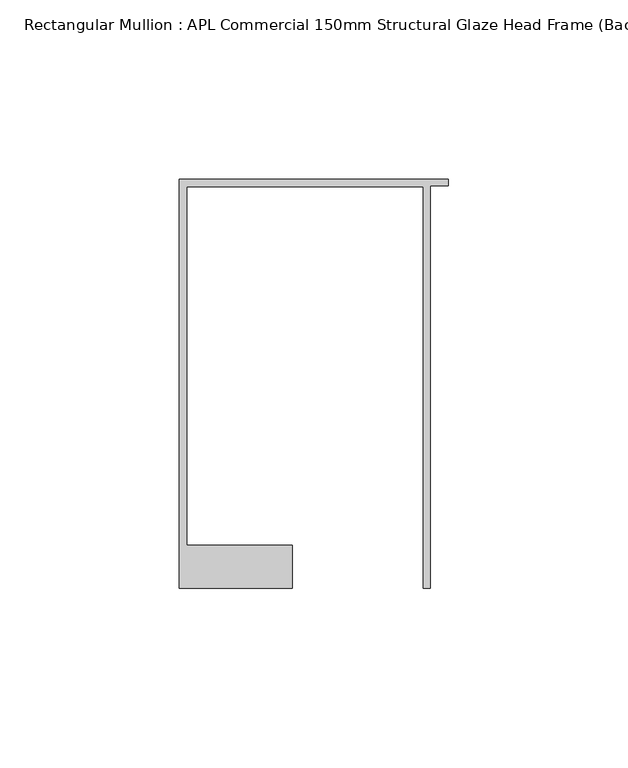
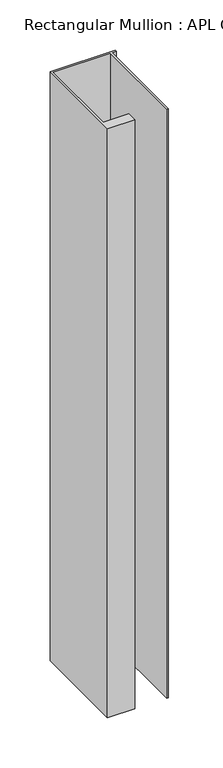
"""IFC4 building model written with IfcOpenShell, lengths in millimetres: member geometry, Rectangular Mullion : APL Commercial 150mm Structural Glaze Head Frame (Back)."""

import ifcopenshell
import ifcopenshell.guid

model = None  # the IFC model being written
_history = None  # IfcOwnerHistory: only IFC2X3 demands one
_inside = {}  # id of a spatial element -> (the spatial element, [elements in it])
_under = {}  # id of a project, library or spatial element -> (it, [spatial elements below it])
_declared = {}  # id of a project -> (the project, [libraries it declares])
_typed = {}  # id of a type object -> (the type object, [elements of that type])
_made_of = {}  # id of a material, layer set ... -> (it, [elements and type objects made of it])


def new_model(schema):
    """Start an empty IFC model of exactly this schema.

    Asked for "IFC4X3", IfcOpenShell would pick the latest addendum, in which some entities
    have other attributes; the version numbers below select the first issue.
    IFC2X3 requires an IfcOwnerHistory on every rooted entity: one is made here for all.
    """
    global model, _history
    if schema == "IFC4X3":
        model = ifcopenshell.file(schema_version=(4, 3, 0, 0))
    else:
        model = ifcopenshell.file(schema=schema)
    _inside.clear()
    _under.clear()
    _declared.clear()
    _typed.clear()
    _made_of.clear()
    _history = None
    if model.schema == "IFC2X3":
        org = make("IfcOrganization", Name="unknown")
        user = make(
            "IfcPersonAndOrganization",
            ThePerson=make("IfcPerson", FamilyName="unknown"),
            TheOrganization=org,
        )
        app = make(
            "IfcApplication",
            ApplicationDeveloper=org,
            Version="unknown",
            ApplicationFullName="unknown",
            ApplicationIdentifier="unknown",
        )
        _history = make(
            "IfcOwnerHistory",
            OwningUser=user,
            OwningApplication=app,
            ChangeAction="ADDED",
            CreationDate=0,
        )
    return model


def make(cls, **values):
    """One entity of the class cls with the attributes given. An attribute that is None is left unset."""
    return model.create_entity(
        cls, **{name: value for name, value in values.items() if value is not None}
    )


def rooted(cls, **values):
    """An entity with a GlobalId (a new one), such as an element, a storey or a relation."""
    return make(cls, GlobalId=ifcopenshell.guid.new(), OwnerHistory=_history, **values)


def si_unit(unit_type, name, prefix=None):
    """IfcSIUnit, for example si_unit("LENGTHUNIT", "METRE", prefix="MILLI")."""
    return make("IfcSIUnit", UnitType=unit_type, Prefix=prefix, Name=name)


def assignment(units):
    """IfcUnitAssignment: the units of a project."""
    return None if units is None else make("IfcUnitAssignment", Units=units)


def point(xyz):
    """IfcCartesianPoint."""
    return None if xyz is None else make("IfcCartesianPoint", Coordinates=xyz)


def direction(xyz):
    """IfcDirection."""
    return None if xyz is None else make("IfcDirection", DirectionRatios=xyz)


def frame(location, z_axis=None, x_axis=None):
    """IfcAxis2Placement3D, a coordinate frame: its origin and axes. An axis left out is left unset."""
    return make(
        "IfcAxis2Placement3D",
        Location=point(location),
        Axis=direction(z_axis),
        RefDirection=direction(x_axis),
    )


def origin():
    """The frame at (0, 0, 0) with its axes left unset."""
    return frame((0.0, 0.0, 0.0))


def place(relative_to, where):
    """IfcLocalPlacement: puts the frame where relative to a parent placement (None: the world)."""
    return make(
        "IfcLocalPlacement", PlacementRelTo=relative_to, RelativePlacement=where
    )


def context(
    kind, dimensions, precision=None, world=None, true_north=None, identifier=None
):
    """IfcGeometricRepresentationContext, for example the 3D "Model" context."""
    return make(
        "IfcGeometricRepresentationContext",
        ContextIdentifier=identifier,
        ContextType=kind,
        CoordinateSpaceDimension=dimensions,
        Precision=precision,
        WorldCoordinateSystem=world,
        TrueNorth=true_north,
    )


def project(units=None, contexts=None):
    """IfcProject with its units and contexts."""
    return rooted(
        "IfcProject",
        Name="project",
        RepresentationContexts=contexts,
        UnitsInContext=assignment(units),
    )


def spatial(cls, under=None, at=None, **own):
    """A site, building, storey or space (cls), placed at a placement, below another one or the project."""
    s = rooted(cls, ObjectPlacement=at, **own)
    if under is not None:
        _under.setdefault(under.id(), (under, []))[1].append(s)
    return s


def polyline(points):
    """IfcPolyline through the points."""
    return make("IfcPolyline", Points=[point(p) for p in points])


def outline(outer, holes=None, kind="AREA"):
    """IfcArbitraryClosedProfileDef: a profile drawn as a closed curve; with holes, ...WithVoids."""
    if holes is None:
        return make("IfcArbitraryClosedProfileDef", ProfileType=kind, OuterCurve=outer)
    return make(
        "IfcArbitraryProfileDefWithVoids",
        ProfileType=kind,
        OuterCurve=outer,
        InnerCurves=holes,
    )


def extrude(swept, where, along, depth):
    """IfcExtrudedAreaSolid: the profile swept, set in the frame where, extruded along a direction by depth."""
    return make(
        "IfcExtrudedAreaSolid",
        SweptArea=swept,
        Position=where,
        ExtrudedDirection=direction(along),
        Depth=depth,
    )


def shape(context_of_items, identifier, shape_type, items):
    """IfcShapeRepresentation: the items that make up one representation, for example the "Body"."""
    return make(
        "IfcShapeRepresentation",
        ContextOfItems=context_of_items,
        RepresentationIdentifier=identifier,
        RepresentationType=shape_type,
        Items=items,
    )


def source(mapping_origin, context_of_items, identifier, shape_type, items):
    """IfcRepresentationMap: a shape defined once, which mapped items show again and again."""
    return make(
        "IfcRepresentationMap",
        MappingOrigin=mapping_origin,
        MappedRepresentation=shape(context_of_items, identifier, shape_type, items),
    )


def transform(
    local_origin,
    x_axis=None,
    y_axis=None,
    z_axis=None,
    scale=None,
    scale2=None,
    scale3=None,
    uniform=True,
):
    """IfcCartesianTransformationOperator3D, or its non-uniform kind. x_axis, y_axis, z_axis: its Axis1, 2, 3."""
    if uniform:
        return make(
            "IfcCartesianTransformationOperator3D",
            Axis1=direction(x_axis),
            Axis2=direction(y_axis),
            LocalOrigin=point(local_origin),
            Scale=scale,
            Axis3=direction(z_axis),
        )
    return make(
        "IfcCartesianTransformationOperator3DnonUniform",
        Axis1=direction(x_axis),
        Axis2=direction(y_axis),
        LocalOrigin=point(local_origin),
        Scale=scale,
        Axis3=direction(z_axis),
        Scale2=scale2,
        Scale3=scale3,
    )


def mapped(mapping_source, mapping_target):
    """IfcMappedItem: shows the shape of a source again, moved by a transform."""
    return make(
        "IfcMappedItem", MappingSource=mapping_source, MappingTarget=mapping_target
    )


def made_of(thing, what):
    """Note that an element or type object is made of a material, layer set ...; save() writes the relation."""
    if what is not None:
        _made_of.setdefault(what.id(), (what, []))[1].append(thing)
    return thing


def element(
    cls,
    number,
    at=None,
    inside=None,
    cuts=None,
    type_object=None,
    material=None,
    context=None,
    identifier="Body",
    shape_type=None,
    held_by="IfcProductDefinitionShape",
    body=None,
    shapes=None,
    **own,
):
    """One element of the class cls, such as IfcWall. Its Tag is "e" and its number.

    at: its placement. inside: the storey or other place that contains it. cuts: it is an
    opening in that element (IfcRelVoidsElement). A single representation is given by context,
    identifier, shape_type and body (its items); several are given by shapes. held_by: the class
    of the entity that holds the representations. save() writes the other relations.
    """
    e = rooted(cls, Tag="e%d" % number, ObjectPlacement=at, **own)
    if body is not None:
        shapes = [shape(context, identifier, shape_type, body)]
    if shapes is not None:
        e.Representation = make(held_by, Representations=shapes)
    if inside is not None:
        _inside.setdefault(inside.id(), (inside, []))[1].append(e)
    if cuts is not None:
        rooted(
            "IfcRelVoidsElement", RelatingBuildingElement=cuts, RelatedOpeningElement=e
        )
    if type_object is not None:
        _typed.setdefault(type_object.id(), (type_object, []))[1].append(e)
    return made_of(e, material)


def aggregate(whole, parts):
    """IfcRelAggregates: a whole, such as a stair, and the parts it consists of."""
    return rooted("IfcRelAggregates", RelatingObject=whole, RelatedObjects=parts)


def save(model, path):
    """Write the relations noted so far, then the file.

    IfcRelAggregates (storeys below a building ...), IfcRelContainedInSpatialStructure (elements
    in a storey), IfcRelDefinesByType, IfcRelAssociatesMaterial and IfcRelDeclares: one each for
    every whole, place, type object, material and project.
    """
    for whole, parts in _under.values():
        aggregate(whole, parts)
    for where, things in _inside.values():
        rooted(
            "IfcRelContainedInSpatialStructure",
            RelatedElements=things,
            RelatingStructure=where,
        )
    for kind, things in _typed.values():
        rooted("IfcRelDefinesByType", RelatedObjects=things, RelatingType=kind)
    for what, things in _made_of.values():
        rooted("IfcRelAssociatesMaterial", RelatedObjects=things, RelatingMaterial=what)
    for by, libraries in _declared.values():
        rooted("IfcRelDeclares", RelatingContext=by, RelatedDefinitions=libraries)
    model.write(path)


def rectangular_mullion_apl_commercial_150mm_structural_glaze_26b584b3(model_context):
    return source(origin(), model_context, "Body", "SweptSolid", [
        extrude(outline(polyline([(-75.0, 128.9993063), (0.0, 128.9993063), (0.0, 127.1993063), (-5.0, 127.1993063), (-5.0, 14.9998342), (-7.0, 14.9998342), (-7.0, 126.9993063), (-73.0, 126.9993063), (-73.0, 26.9997514), (-43.5000151, 26.9997514), (-43.5000151, 14.9998342), (-75.0, 14.9998342), (-75.0, 128.9993063)])), frame((0.0, 0.0, -716.0468124), z_axis=(0.0, 0.0, 1.0), x_axis=(1.0, 0.0, 0.0)), (0.0, 0.0, 1.0), 716.0468124),
    ])


if __name__ == "__main__":
    model = new_model("IFC4")
    model_context = context("Model", 3, world=origin())
    ifc_project = project(units=[si_unit("LENGTHUNIT", "METRE", prefix="MILLI")], contexts=[model_context])
    site = spatial("IfcSite", under=ifc_project)
    building = spatial("IfcBuilding", under=site)
    placement = place(None, origin())
    rectangular_mullion_apl_commercial_150mm_structural_glaze_shape = rectangular_mullion_apl_commercial_150mm_structural_glaze_26b584b3(model_context)
    element("IfcMember", 1, ObjectType="Rectangular Mullion : APL Commercial 150mm Structural Glaze Head Frame (Back)", at=placement, inside=building, context=model_context, shape_type="MappedRepresentation", body=[
        mapped(rectangular_mullion_apl_commercial_150mm_structural_glaze_shape, transform((0.0, 0.0, 0.0), x_axis=(1.0, 0.0, 0.0), y_axis=(0.0, 1.0, 0.0), z_axis=(0.0, 0.0, 1.0))),
    ])
    save(model, "model.ifc")
